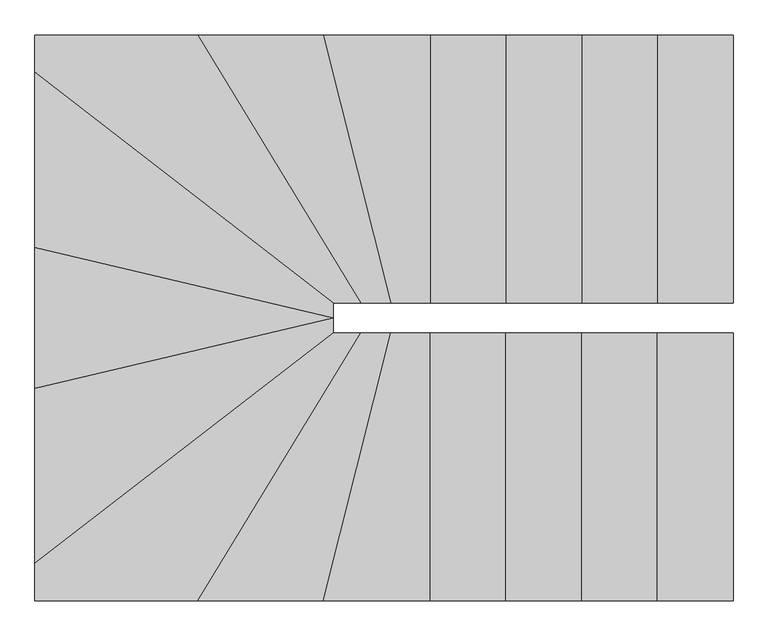
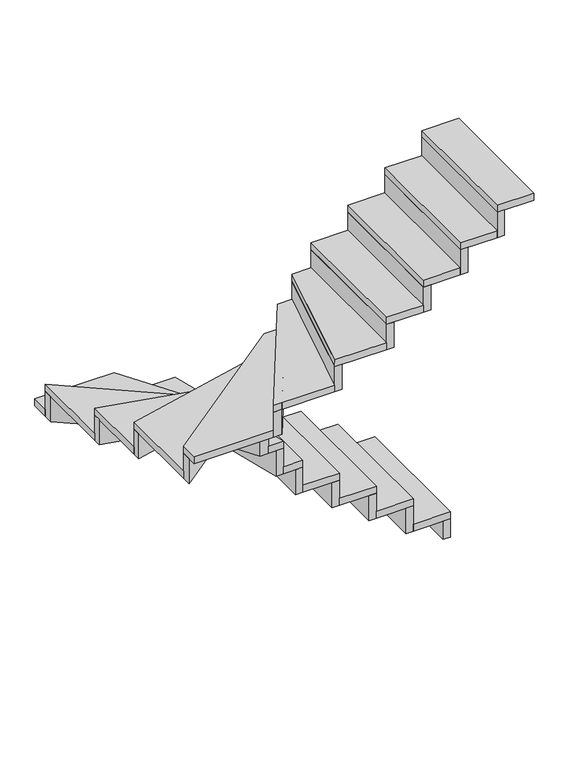
"""IFC4 building model written with IfcOpenShell, lengths in millimetres: stair flight geometry."""

from ifc_helpers import new_model, si_unit, frame, origin, origin_with_axes, place, context, project, spatial, polyline, outline, extrude, source, transform, mapped, element, save


def stair_flight_e166567c(model_context):
    return source(origin(), model_context, "Body", "SweptSolid", [
        extrude(outline(polyline([(-1387.9272491, 825.2853338), (-1337.9272491, 825.2853338), (-1337.9272491, -59.7150456), (-1387.9272491, -59.7150456), (-1387.9272491, 825.2853338)])), origin_with_axes(), (0.0, 0.0, 1.0), 130.0),
        extrude(outline(polyline([(-1587.9272491, -59.7150456), (-1587.9272491, 825.2853338), (-1337.9272491, 825.2853338), (-1337.9272491, -59.7150456), (-1587.9272491, -59.7150456)])), frame((0.0, 0.0, 130.0), z_axis=(0.0, 0.0, 1.0), x_axis=(1.0, 0.0, 0.0)), (0.0, 0.0, 1.0), 50.0),
        extrude(outline(polyline([(-1637.9272491, 825.2853338), (-1587.9272491, 825.2853338), (-1587.9272491, -59.7150456), (-1637.9272491, -59.7150456), (-1637.9272491, 825.2853338)])), frame((0.0, 0.0, 130.0), z_axis=(0.0, 0.0, 1.0), x_axis=(1.0, 0.0, 0.0)), (0.0, 0.0, 1.0), 180.0),
        extrude(outline(polyline([(-1837.9272491, -59.7150456), (-1837.9272491, 825.2853338), (-1587.9272491, 825.2853338), (-1587.9272491, -59.7150456), (-1837.9272491, -59.7150456)])), frame((0.0, 0.0, 310.0), z_axis=(0.0, 0.0, 1.0), x_axis=(1.0, 0.0, 0.0)), (0.0, 0.0, 1.0), 50.0),
        extrude(outline(polyline([(-2387.9272491, 825.2853338), (-2337.9272491, 825.2853338), (-2337.9272491, -59.7150456), (-2387.9272491, -59.7150456), (-2387.9272491, 825.2853338)])), frame((0.0, 0.0, 670.0), z_axis=(0.0, 0.0, 1.0), x_axis=(1.0, 0.0, 0.0)), (0.0, 0.0, 1.0), 180.0),
        extrude(outline(polyline([(-2467.9272974, -59.7150456), (-2690.9940856, 825.2853338), (-2337.9272491, 825.2853338), (-2337.9272491, -59.7150456), (-2467.9272974, -59.7150456)])), frame((0.0, 0.0, 850.0), z_axis=(0.0, 0.0, 1.0), x_axis=(1.0, 0.0, 0.0)), (0.0, 0.0, 1.0), 50.0),
        extrude(outline(polyline([(-2742.5578955, 825.2853338), (-2690.9940856, 825.2853338), (-2467.9272974, -59.7150456), (-2519.4911072, -59.7150456), (-2742.5578955, 825.2853338)])), frame((0.0, 0.0, 850.0), z_axis=(0.0, 0.0, 1.0), x_axis=(1.0, 0.0, 0.0)), (0.0, 0.0, 1.0), 180.0),
        extrude(outline(polyline([(-2567.9273653, -59.7150456), (-3104.8220492, 825.2853338), (-2690.9940856, 825.2853338), (-2467.9272974, -59.7150456), (-2567.9273653, -59.7150456)])), frame((0.0, 0.0, 1030.0), z_axis=(0.0, 0.0, 1.0), x_axis=(1.0, 0.0, 0.0)), (0.0, 0.0, 1.0), 50.0),
        extrude(outline(polyline([(-3163.3036027, 825.2853338), (-3104.8220492, 825.2853338), (-2567.9273653, -59.7150456), (-2626.4089188, -59.7150456), (-3163.3036027, 825.2853338)])), frame((0.0, 0.0, 1030.0), z_axis=(0.0, 0.0, 1.0), x_axis=(1.0, 0.0, 0.0)), (0.0, 0.0, 1.0), 180.0),
        extrude(outline(polyline([(-2657.9272491, -59.7150456), (-3642.9272493, 701.5484782), (-3642.9272493, 825.2853338), (-3104.8220492, 825.2853338), (-2567.9273653, -59.7150456), (-2657.9272491, -59.7150456)])), frame((0.0, 0.0, 1210.0), z_axis=(0.0, 0.0, 1.0), x_axis=(1.0, 0.0, 0.0)), (0.0, 0.0, 1.0), 50.0),
        extrude(outline(polyline([(-3642.9272493, 638.3561731), (-3642.9272493, 701.5484782), (-2657.9272491, -59.7150456), (-2657.9272491, -122.9073506), (-3642.9272493, 638.3561731)])), frame((0.0, 0.0, 1210.0), z_axis=(0.0, 0.0, 1.0), x_axis=(1.0, 0.0, 0.0)), (0.0, 0.0, 1.0), 180.0),
        extrude(outline(polyline([(-2657.9272491, -109.7163613), (-3642.9272493, 122.9263238), (-3642.9272493, 701.5484782), (-2657.9272491, -59.7150456), (-2657.9272491, -109.7163613)])), frame((0.0, 0.0, 1390.0), z_axis=(0.0, 0.0, 1.0), x_axis=(1.0, 0.0, 0.0)), (0.0, 0.0, 1.0), 50.0),
        extrude(outline(polyline([(-3642.9272493, 71.5506589), (-3642.9272493, 122.9263238), (-2657.9272491, -109.7163613), (-2669.4203105, -158.3775321), (-3642.9272493, 71.5506589)])), frame((0.0, 0.0, 1390.0), z_axis=(0.0, 0.0, 1.0), x_axis=(1.0, 0.0, 0.0)), (0.0, 0.0, 1.0), 180.0),
        extrude(outline(polyline([(-2657.9272491, -109.7163613), (-3642.9272493, -342.3568315), (-3642.9272493, 122.9263238), (-2657.9272491, -109.7163613)])), frame((0.0, 0.0, 1570.0), z_axis=(0.0, 0.0, 1.0), x_axis=(1.0, 0.0, 0.0)), (0.0, 0.0, 1.0), 50.0),
        extrude(outline(polyline([(-3642.9272493, -393.7324705), (-3642.9272493, -342.3568315), (-2657.9272491, -109.7163613), (-2657.9272491, -161.0920003), (-3642.9272493, -393.7324705)])), frame((0.0, 0.0, 1570.0), z_axis=(0.0, 0.0, 1.0), x_axis=(1.0, 0.0, 0.0)), (0.0, 0.0, 1.0), 180.0),
        extrude(outline(polyline([(-2657.9272491, -159.7176771), (-3642.9272493, -920.9789859), (-3642.9272493, -342.3568315), (-2657.9272491, -109.7163613), (-2657.9272491, -159.7176771)])), frame((0.0, 0.0, 1750.0), z_axis=(0.0, 0.0, 1.0), x_axis=(1.0, 0.0, 0.0)), (0.0, 0.0, 1.0), 50.0),
        extrude(outline(polyline([(-3642.9272493, -984.1712222), (-3642.9272493, -920.9789859), (-2657.9272491, -159.7176771), (-2576.1624831, -159.7176771), (-3642.9272493, -984.1712222)])), frame((0.0, 0.0, 1750.0), z_axis=(0.0, 0.0, 1.0), x_axis=(1.0, 0.0, 0.0)), (0.0, 0.0, 1.0), 180.0),
        extrude(outline(polyline([(-2567.9272491, -159.7176771), (-3104.8229878, -1044.7173955), (-3642.9272493, -1044.7173955), (-3642.9272493, -920.9789859), (-2657.9272491, -159.7176771), (-2567.9272491, -159.7176771)])), frame((0.0, 0.0, 1930.0), z_axis=(0.0, 0.0, 1.0), x_axis=(1.0, 0.0, 0.0)), (0.0, 0.0, 1.0), 50.0),
        extrude(outline(polyline([(-3046.3413916, -1044.7173955), (-3104.8229878, -1044.7173955), (-2567.9272491, -159.7176771), (-2509.445653, -159.7176771), (-3046.3413916, -1044.7173955)])), frame((0.0, 0.0, 1930.0), z_axis=(0.0, 0.0, 1.0), x_axis=(1.0, 0.0, 0.0)), (0.0, 0.0, 1.0), 180.0),
        extrude(outline(polyline([(-2467.9278642, -159.7176771), (-2690.9944858, -1044.7173955), (-3104.8229878, -1044.7173955), (-2567.9272491, -159.7176771), (-2467.9278642, -159.7176771)])), frame((0.0, 0.0, 2110.0), z_axis=(0.0, 0.0, 1.0), x_axis=(1.0, 0.0, 0.0)), (0.0, 0.0, 1.0), 50.0),
        extrude(outline(polyline([(-2639.430676, -1044.7173955), (-2690.9944858, -1044.7173955), (-2467.9278642, -159.7176771), (-2416.3640543, -159.7176771), (-2639.430676, -1044.7173955)])), frame((0.0, 0.0, 2110.0), z_axis=(0.0, 0.0, 1.0), x_axis=(1.0, 0.0, 0.0)), (0.0, 0.0, 1.0), 180.0),
        extrude(outline(polyline([(-2337.9272491, -159.7176771), (-2337.9272491, -1044.7173955), (-2690.9944858, -1044.7173955), (-2467.9278642, -159.7176771), (-2337.9272491, -159.7176771)])), frame((0.0, 0.0, 2290.0), z_axis=(0.0, 0.0, 1.0), x_axis=(1.0, 0.0, 0.0)), (0.0, 0.0, 1.0), 50.0),
        extrude(outline(polyline([(-2287.9272491, -1044.7173955), (-2337.9272491, -1044.7173955), (-2337.9272491, -159.7176771), (-2287.9272491, -159.7176771), (-2287.9272491, -1044.7173955)])), frame((0.0, 0.0, 2290.0), z_axis=(0.0, 0.0, 1.0), x_axis=(1.0, 0.0, 0.0)), (0.0, 0.0, 1.0), 180.0),
        extrude(outline(polyline([(-2087.9272491, -159.7176771), (-2087.9272491, -1044.7173955), (-2337.9272491, -1044.7173955), (-2337.9272491, -159.7176771), (-2087.9272491, -159.7176771)])), frame((0.0, 0.0, 2470.0), z_axis=(0.0, 0.0, 1.0), x_axis=(1.0, 0.0, 0.0)), (0.0, 0.0, 1.0), 50.0),
        extrude(outline(polyline([(-1887.9272491, 825.2853338), (-1837.9272491, 825.2853338), (-1837.9272491, -59.7150456), (-1887.9272491, -59.7150456), (-1887.9272491, 825.2853338)])), frame((0.0, 0.0, 310.0), z_axis=(0.0, 0.0, 1.0), x_axis=(1.0, 0.0, 0.0)), (0.0, 0.0, 1.0), 180.0),
        extrude(outline(polyline([(-2087.9272491, -59.7150456), (-2087.9272491, 825.2853338), (-1837.9272491, 825.2853338), (-1837.9272491, -59.7150456), (-2087.9272491, -59.7150456)])), frame((0.0, 0.0, 490.0), z_axis=(0.0, 0.0, 1.0), x_axis=(1.0, 0.0, 0.0)), (0.0, 0.0, 1.0), 50.0),
        extrude(outline(polyline([(-2137.9272491, 825.2853338), (-2087.9272491, 825.2853338), (-2087.9272491, -59.7150456), (-2137.9272491, -59.7150456), (-2137.9272491, 825.2853338)])), frame((0.0, 0.0, 490.0), z_axis=(0.0, 0.0, 1.0), x_axis=(1.0, 0.0, 0.0)), (0.0, 0.0, 1.0), 180.0),
        extrude(outline(polyline([(-2337.9272491, -59.7150456), (-2337.9272491, 825.2853338), (-2087.9272491, 825.2853338), (-2087.9272491, -59.7150456), (-2337.9272491, -59.7150456)])), frame((0.0, 0.0, 670.0), z_axis=(0.0, 0.0, 1.0), x_axis=(1.0, 0.0, 0.0)), (0.0, 0.0, 1.0), 50.0),
        extrude(outline(polyline([(-2037.9272491, -1044.7173955), (-2087.9272491, -1044.7173955), (-2087.9272491, -159.7176771), (-2037.9272491, -159.7176771), (-2037.9272491, -1044.7173955)])), frame((0.0, 0.0, 2470.0), z_axis=(0.0, 0.0, 1.0), x_axis=(1.0, 0.0, 0.0)), (0.0, 0.0, 1.0), 180.0),
        extrude(outline(polyline([(-1837.9272491, -159.7176771), (-1837.9272491, -1044.7173955), (-2087.9272491, -1044.7173955), (-2087.9272491, -159.7176771), (-1837.9272491, -159.7176771)])), frame((0.0, 0.0, 2650.0), z_axis=(0.0, 0.0, 1.0), x_axis=(1.0, 0.0, 0.0)), (0.0, 0.0, 1.0), 50.0),
        extrude(outline(polyline([(-1787.9272491, -1044.7173955), (-1837.9272491, -1044.7173955), (-1837.9272491, -159.7176771), (-1787.9272491, -159.7176771), (-1787.9272491, -1044.7173955)])), frame((0.0, 0.0, 2650.0), z_axis=(0.0, 0.0, 1.0), x_axis=(1.0, 0.0, 0.0)), (0.0, 0.0, 1.0), 180.0),
        extrude(outline(polyline([(-1587.9272491, -159.7176771), (-1587.9272491, -1044.7173955), (-1837.9272491, -1044.7173955), (-1837.9272491, -159.7176771), (-1587.9272491, -159.7176771)])), frame((0.0, 0.0, 2830.0), z_axis=(0.0, 0.0, 1.0), x_axis=(1.0, 0.0, 0.0)), (0.0, 0.0, 1.0), 50.0),
        extrude(outline(polyline([(-1537.9272491, -1044.7173955), (-1587.9272491, -1044.7173955), (-1587.9272491, -159.7176771), (-1537.9272491, -159.7176771), (-1537.9272491, -1044.7173955)])), frame((0.0, 0.0, 2830.0), z_axis=(0.0, 0.0, 1.0), x_axis=(1.0, 0.0, 0.0)), (0.0, 0.0, 1.0), 180.0),
        extrude(outline(polyline([(-1337.9272491, -159.7176771), (-1337.9272491, -1044.7173955), (-1587.9272491, -1044.7173955), (-1587.9272491, -159.7176771), (-1337.9272491, -159.7176771)])), frame((0.0, 0.0, 3010.0), z_axis=(0.0, 0.0, 1.0), x_axis=(1.0, 0.0, 0.0)), (0.0, 0.0, 1.0), 50.0),
    ])


if __name__ == "__main__":
    model = new_model("IFC4")
    model_context = context("Model", 3, world=origin())
    ifc_project = project(units=[si_unit("LENGTHUNIT", "METRE", prefix="MILLI")], contexts=[model_context])
    site = spatial("IfcSite", under=ifc_project)
    building = spatial("IfcBuilding", under=site)
    placement = place(None, origin())
    stair_flight_shape = stair_flight_e166567c(model_context)
    element("IfcStairFlight", 1, at=placement, inside=building, context=model_context, shape_type="MappedRepresentation", body=[
        mapped(stair_flight_shape, transform((0.0, 0.0, 0.0), x_axis=(1.0, 0.0, 0.0), y_axis=(0.0, 1.0, 0.0), z_axis=(0.0, 0.0, 1.0))),
    ])
    save(model, "model.ifc")
